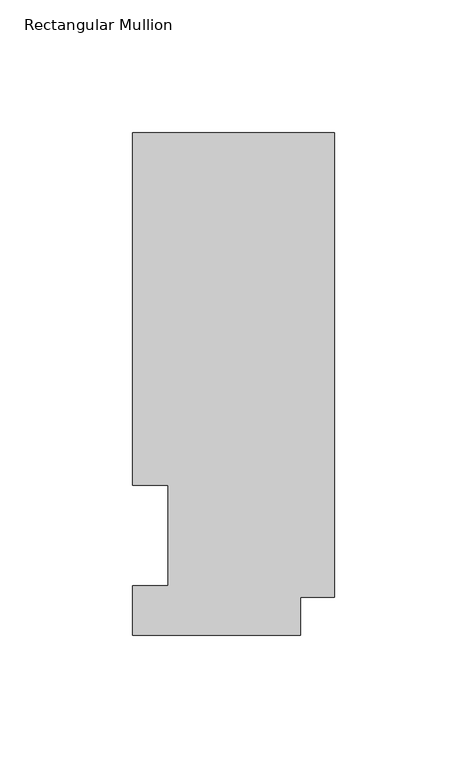
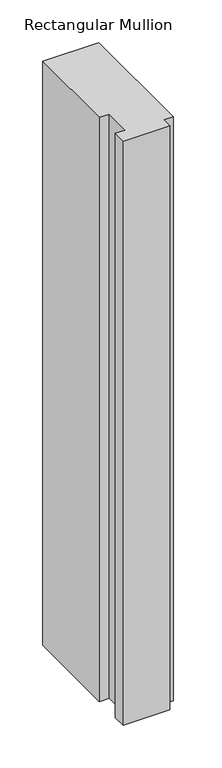
"""IFC4 building model written with IfcOpenShell, lengths in millimetres: member geometry, Rectangular Mullion."""

import ifcopenshell
import ifcopenshell.guid

model = None  # the IFC model being written
_history = None  # IfcOwnerHistory: only IFC2X3 demands one
_inside = {}  # id of a spatial element -> (the spatial element, [elements in it])
_under = {}  # id of a project, library or spatial element -> (it, [spatial elements below it])
_declared = {}  # id of a project -> (the project, [libraries it declares])
_typed = {}  # id of a type object -> (the type object, [elements of that type])
_made_of = {}  # id of a material, layer set ... -> (it, [elements and type objects made of it])


def new_model(schema):
    """Start an empty IFC model of exactly this schema.

    Asked for "IFC4X3", IfcOpenShell would pick the latest addendum, in which some entities
    have other attributes; the version numbers below select the first issue.
    IFC2X3 requires an IfcOwnerHistory on every rooted entity: one is made here for all.
    """
    global model, _history
    if schema == "IFC4X3":
        model = ifcopenshell.file(schema_version=(4, 3, 0, 0))
    else:
        model = ifcopenshell.file(schema=schema)
    _inside.clear()
    _under.clear()
    _declared.clear()
    _typed.clear()
    _made_of.clear()
    _history = None
    if model.schema == "IFC2X3":
        org = make("IfcOrganization", Name="unknown")
        user = make(
            "IfcPersonAndOrganization",
            ThePerson=make("IfcPerson", FamilyName="unknown"),
            TheOrganization=org,
        )
        app = make(
            "IfcApplication",
            ApplicationDeveloper=org,
            Version="unknown",
            ApplicationFullName="unknown",
            ApplicationIdentifier="unknown",
        )
        _history = make(
            "IfcOwnerHistory",
            OwningUser=user,
            OwningApplication=app,
            ChangeAction="ADDED",
            CreationDate=0,
        )
    return model


def make(cls, **values):
    """One entity of the class cls with the attributes given. An attribute that is None is left unset."""
    return model.create_entity(
        cls, **{name: value for name, value in values.items() if value is not None}
    )


def rooted(cls, **values):
    """An entity with a GlobalId (a new one), such as an element, a storey or a relation."""
    return make(cls, GlobalId=ifcopenshell.guid.new(), OwnerHistory=_history, **values)


def si_unit(unit_type, name, prefix=None):
    """IfcSIUnit, for example si_unit("LENGTHUNIT", "METRE", prefix="MILLI")."""
    return make("IfcSIUnit", UnitType=unit_type, Prefix=prefix, Name=name)


def assignment(units):
    """IfcUnitAssignment: the units of a project."""
    return None if units is None else make("IfcUnitAssignment", Units=units)


def point(xyz):
    """IfcCartesianPoint."""
    return None if xyz is None else make("IfcCartesianPoint", Coordinates=xyz)


def direction(xyz):
    """IfcDirection."""
    return None if xyz is None else make("IfcDirection", DirectionRatios=xyz)


def frame(location, z_axis=None, x_axis=None):
    """IfcAxis2Placement3D, a coordinate frame: its origin and axes. An axis left out is left unset."""
    return make(
        "IfcAxis2Placement3D",
        Location=point(location),
        Axis=direction(z_axis),
        RefDirection=direction(x_axis),
    )


def origin():
    """The frame at (0, 0, 0) with its axes left unset."""
    return frame((0.0, 0.0, 0.0))


def place(relative_to, where):
    """IfcLocalPlacement: puts the frame where relative to a parent placement (None: the world)."""
    return make(
        "IfcLocalPlacement", PlacementRelTo=relative_to, RelativePlacement=where
    )


def context(
    kind, dimensions, precision=None, world=None, true_north=None, identifier=None
):
    """IfcGeometricRepresentationContext, for example the 3D "Model" context."""
    return make(
        "IfcGeometricRepresentationContext",
        ContextIdentifier=identifier,
        ContextType=kind,
        CoordinateSpaceDimension=dimensions,
        Precision=precision,
        WorldCoordinateSystem=world,
        TrueNorth=true_north,
    )


def project(units=None, contexts=None):
    """IfcProject with its units and contexts."""
    return rooted(
        "IfcProject",
        Name="project",
        RepresentationContexts=contexts,
        UnitsInContext=assignment(units),
    )


def spatial(cls, under=None, at=None, **own):
    """A site, building, storey or space (cls), placed at a placement, below another one or the project."""
    s = rooted(cls, ObjectPlacement=at, **own)
    if under is not None:
        _under.setdefault(under.id(), (under, []))[1].append(s)
    return s


def polyline(points):
    """IfcPolyline through the points."""
    return make("IfcPolyline", Points=[point(p) for p in points])


def outline(outer, holes=None, kind="AREA"):
    """IfcArbitraryClosedProfileDef: a profile drawn as a closed curve; with holes, ...WithVoids."""
    if holes is None:
        return make("IfcArbitraryClosedProfileDef", ProfileType=kind, OuterCurve=outer)
    return make(
        "IfcArbitraryProfileDefWithVoids",
        ProfileType=kind,
        OuterCurve=outer,
        InnerCurves=holes,
    )


def extrude(swept, where, along, depth):
    """IfcExtrudedAreaSolid: the profile swept, set in the frame where, extruded along a direction by depth."""
    return make(
        "IfcExtrudedAreaSolid",
        SweptArea=swept,
        Position=where,
        ExtrudedDirection=direction(along),
        Depth=depth,
    )


def shape(context_of_items, identifier, shape_type, items):
    """IfcShapeRepresentation: the items that make up one representation, for example the "Body"."""
    return make(
        "IfcShapeRepresentation",
        ContextOfItems=context_of_items,
        RepresentationIdentifier=identifier,
        RepresentationType=shape_type,
        Items=items,
    )


def source(mapping_origin, context_of_items, identifier, shape_type, items):
    """IfcRepresentationMap: a shape defined once, which mapped items show again and again."""
    return make(
        "IfcRepresentationMap",
        MappingOrigin=mapping_origin,
        MappedRepresentation=shape(context_of_items, identifier, shape_type, items),
    )


def transform(
    local_origin,
    x_axis=None,
    y_axis=None,
    z_axis=None,
    scale=None,
    scale2=None,
    scale3=None,
    uniform=True,
):
    """IfcCartesianTransformationOperator3D, or its non-uniform kind. x_axis, y_axis, z_axis: its Axis1, 2, 3."""
    if uniform:
        return make(
            "IfcCartesianTransformationOperator3D",
            Axis1=direction(x_axis),
            Axis2=direction(y_axis),
            LocalOrigin=point(local_origin),
            Scale=scale,
            Axis3=direction(z_axis),
        )
    return make(
        "IfcCartesianTransformationOperator3DnonUniform",
        Axis1=direction(x_axis),
        Axis2=direction(y_axis),
        LocalOrigin=point(local_origin),
        Scale=scale,
        Axis3=direction(z_axis),
        Scale2=scale2,
        Scale3=scale3,
    )


def mapped(mapping_source, mapping_target):
    """IfcMappedItem: shows the shape of a source again, moved by a transform."""
    return make(
        "IfcMappedItem", MappingSource=mapping_source, MappingTarget=mapping_target
    )


def made_of(thing, what):
    """Note that an element or type object is made of a material, layer set ...; save() writes the relation."""
    if what is not None:
        _made_of.setdefault(what.id(), (what, []))[1].append(thing)
    return thing


def element(
    cls,
    number,
    at=None,
    inside=None,
    cuts=None,
    type_object=None,
    material=None,
    context=None,
    identifier="Body",
    shape_type=None,
    held_by="IfcProductDefinitionShape",
    body=None,
    shapes=None,
    **own,
):
    """One element of the class cls, such as IfcWall. Its Tag is "e" and its number.

    at: its placement. inside: the storey or other place that contains it. cuts: it is an
    opening in that element (IfcRelVoidsElement). A single representation is given by context,
    identifier, shape_type and body (its items); several are given by shapes. held_by: the class
    of the entity that holds the representations. save() writes the other relations.
    """
    e = rooted(cls, Tag="e%d" % number, ObjectPlacement=at, **own)
    if body is not None:
        shapes = [shape(context, identifier, shape_type, body)]
    if shapes is not None:
        e.Representation = make(held_by, Representations=shapes)
    if inside is not None:
        _inside.setdefault(inside.id(), (inside, []))[1].append(e)
    if cuts is not None:
        rooted(
            "IfcRelVoidsElement", RelatingBuildingElement=cuts, RelatedOpeningElement=e
        )
    if type_object is not None:
        _typed.setdefault(type_object.id(), (type_object, []))[1].append(e)
    return made_of(e, material)


def aggregate(whole, parts):
    """IfcRelAggregates: a whole, such as a stair, and the parts it consists of."""
    return rooted("IfcRelAggregates", RelatingObject=whole, RelatedObjects=parts)


def save(model, path):
    """Write the relations noted so far, then the file.

    IfcRelAggregates (storeys below a building ...), IfcRelContainedInSpatialStructure (elements
    in a storey), IfcRelDefinesByType, IfcRelAssociatesMaterial and IfcRelDeclares: one each for
    every whole, place, type object, material and project.
    """
    for whole, parts in _under.values():
        aggregate(whole, parts)
    for where, things in _inside.values():
        rooted(
            "IfcRelContainedInSpatialStructure",
            RelatedElements=things,
            RelatingStructure=where,
        )
    for kind, things in _typed.values():
        rooted("IfcRelDefinesByType", RelatedObjects=things, RelatingType=kind)
    for what, things in _made_of.values():
        rooted("IfcRelAssociatesMaterial", RelatedObjects=things, RelatingMaterial=what)
    for by, libraries in _declared.values():
        rooted("IfcRelDeclares", RelatingContext=by, RelatedDefinitions=libraries)
    model.write(path)


def rectangular_mullion_67aff676(model_context):
    return source(origin(), model_context, "Body", "SweptSolid", [
        extrude(outline(polyline([(0.0, 14.2613062), (-12.7016245, 14.2613062), (-12.7016245, 0.0627062), (-76.2, 0.0627062), (-76.2, 18.6047062), (-62.7126, 18.6047062), (-62.7126, 56.6539063), (-76.2, 56.6539063), (-76.2, 189.6483063), (0.0, 189.6483063), (0.0, 14.2613062)])), frame((0.0, 0.0, -838.2), z_axis=(0.0, 0.0, 1.0), x_axis=(1.0, 0.0, 0.0)), (0.0, 0.0, 1.0), 838.2),
    ])


if __name__ == "__main__":
    model = new_model("IFC4")
    model_context = context("Model", 3, world=origin())
    ifc_project = project(units=[si_unit("LENGTHUNIT", "METRE", prefix="MILLI")], contexts=[model_context])
    site = spatial("IfcSite", under=ifc_project)
    building = spatial("IfcBuilding", under=site)
    placement = place(None, origin())
    rectangular_mullion_shape = rectangular_mullion_67aff676(model_context)
    element("IfcMember", 1, ObjectType="Rectangular Mullion", at=placement, inside=building, context=model_context, shape_type="MappedRepresentation", body=[
        mapped(rectangular_mullion_shape, transform((0.0, 0.0, 0.0), x_axis=(1.0, 0.0, 0.0), y_axis=(0.0, 1.0, 0.0), z_axis=(0.0, 0.0, 1.0))),
    ])
    save(model, "model.ifc")
